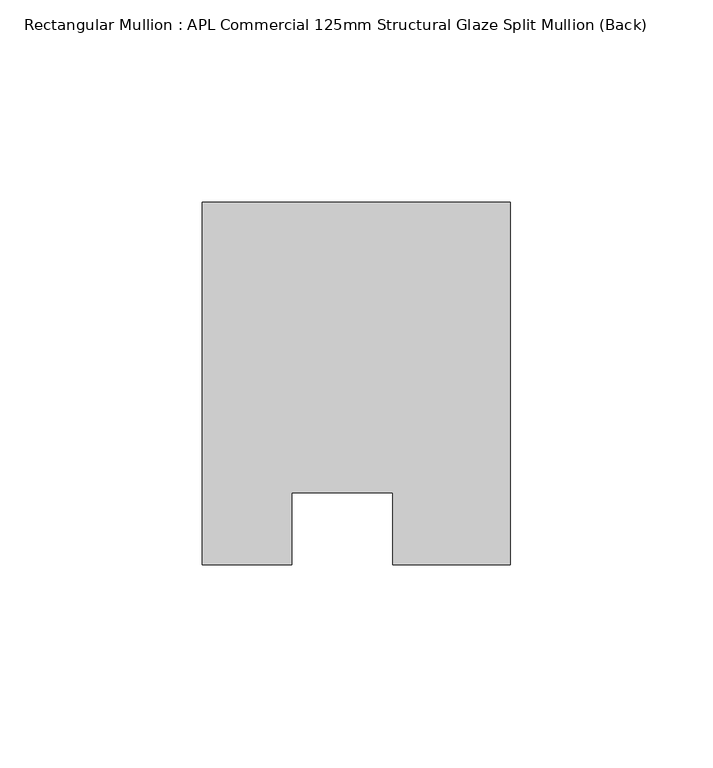
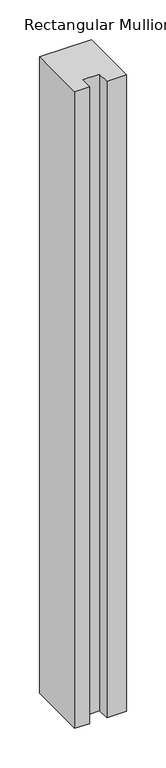
"""IFC4 building model written with IfcOpenShell, lengths in millimetres: member geometry, Rectangular Mullion : APL Commercial 125mm Structural Glaze Split Mullion (Back)."""

from ifc_helpers import new_model, si_unit, frame, origin, place, context, project, spatial, polyline, outline, extrude, source, transform, mapped, element, save


def rectangular_mullion_apl_commercial_125mm_structural_glaze_1add8c1b(model_context):
    return source(origin(), model_context, "Body", "SweptSolid", [
        extrude(outline(polyline([(37.9999914, 104.4960123), (37.9999914, 14.9960123), (9.0, 14.9960123), (9.0, 32.7960123), (-16.0, 32.7960123), (-16.0, 14.9960123), (-37.9999896, 14.9960123), (-37.9999896, 104.4960123), (37.9999914, 104.4960123)])), frame((0.0, 0.0, -983.6595328), z_axis=(0.0, 0.0, 1.0), x_axis=(1.0, 0.0, 0.0)), (0.0, 0.0, 1.0), 983.6595328),
    ])


if __name__ == "__main__":
    model = new_model("IFC4")
    model_context = context("Model", 3, world=origin())
    ifc_project = project(units=[si_unit("LENGTHUNIT", "METRE", prefix="MILLI")], contexts=[model_context])
    site = spatial("IfcSite", under=ifc_project)
    building = spatial("IfcBuilding", under=site)
    placement = place(None, origin())
    rectangular_mullion_apl_commercial_125mm_structural_glaze_shape = rectangular_mullion_apl_commercial_125mm_structural_glaze_1add8c1b(model_context)
    element("IfcMember", 1, ObjectType="Rectangular Mullion : APL Commercial 125mm Structural Glaze Split Mullion (Back)", at=placement, inside=building, context=model_context, shape_type="MappedRepresentation", body=[
        mapped(rectangular_mullion_apl_commercial_125mm_structural_glaze_shape, transform((0.0, 0.0, 0.0), x_axis=(1.0, 0.0, 0.0), y_axis=(0.0, 1.0, 0.0), z_axis=(0.0, 0.0, 1.0))),
    ])
    save(model, "model.ifc")
